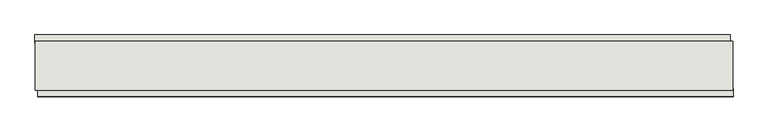
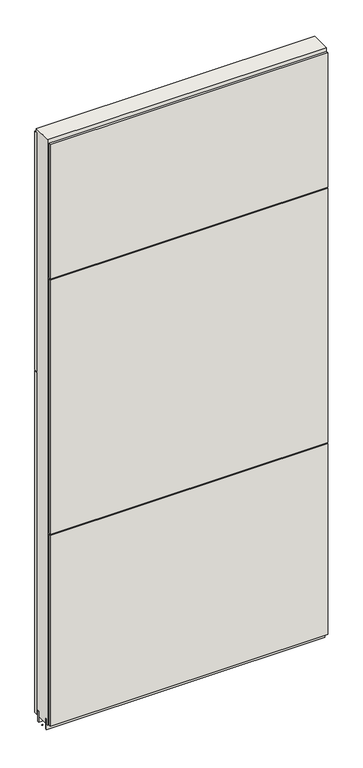
"""IFC4 building model written with IfcOpenShell, lengths in millimetres: wall geometry."""

from ifc_helpers import new_model, si_unit, frame, origin, place, context, project, spatial, polyline, outline, extrude, source, transform, mapped, element, save


def wall_ca330792(model_context):
    return source(origin(), model_context, "Body", "SweptSolid", [
        extrude(outline(polyline([(40511.7275108, -53666.1245954), (40509.1875108, -53666.1245954), (40509.1875108, -53663.5845954), (40511.7275108, -53663.5845954), (40511.7275108, -53666.1245954)])), frame((0.0, 0.0, 4419.6), z_axis=(0.0, 0.0, 1.0), x_axis=(1.0, 0.0, 0.0)), (0.0, 0.0, 1.0), 2.54),
        extrude(outline(polyline([(40508.7206969, -53614.0545954), (41656.6143879, -53614.0545954), (41656.6143879, -53626.7545954), (40508.7206969, -53626.7545954), (40508.7206969, -53614.0545954)])), frame((0.0, 0.0, 5945.6000722), z_axis=(0.0, 0.0, 1.0), x_axis=(1.0, 0.0, 0.0)), (0.0, 0.0, 1.0), 1044.449905),
        extrude(outline(polyline([(40508.7206969, -53614.0545954), (41656.6143879, -53614.0545954), (41656.6143879, -53626.7545954), (40508.7206969, -53626.7545954), (40508.7206969, -53614.0545954)])), frame((0.0, 0.0, 4445.0), z_axis=(0.0, 0.0, 1.0), x_axis=(1.0, 0.0, 0.0)), (0.0, 0.0, 1.0), 1496.600004),
        extrude(outline(polyline([(41661.5443247, -53715.6545954), (40513.6506337, -53715.6545954), (40513.6506337, -53702.9545954), (41661.5443247, -53702.9545954), (41661.5443247, -53715.6545954)])), frame((0.0, 0.0, 6402.8000722), z_axis=(0.0, 0.0, 1.0), x_axis=(1.0, 0.0, 0.0)), (0.0, 0.0, 1.0), 587.2498034),
        extrude(outline(polyline([(41661.5443247, -53715.6545954), (40513.6506337, -53715.6545954), (40513.6506337, -53702.9545954), (41661.5443247, -53702.9545954), (41661.5443247, -53715.6545954)])), frame((0.0, 0.0, 5285.2000722), z_axis=(0.0, 0.0, 1.0), x_axis=(1.0, 0.0, 0.0)), (0.0, 0.0, 1.0), 1113.5999572),
        extrude(outline(polyline([(41661.5443247, -53715.6545954), (40513.6506337, -53715.6545954), (40513.6506337, -53702.9545954), (41661.5443247, -53702.9545954), (41661.5443247, -53715.6545954)])), frame((0.0, 0.0, 4445.0), z_axis=(0.0, 0.0, 1.0), x_axis=(1.0, 0.0, 0.0)), (0.0, 0.0, 1.0), 836.200004),
        extrude(outline(polyline([(41661.0787554, -53639.7708508), (40509.1893904, -53639.7708508), (40509.1893904, -53634.6920954), (41661.0787554, -53634.6920954), (41661.0787554, -53639.7708508)])), frame((0.0, 0.0, 4418.6602), z_axis=(0.0, 0.0, 1.0), x_axis=(1.0, 0.0, 0.0)), (0.0, 0.0, 1.0), 47.625),
        extrude(outline(polyline([(41661.0787554, -53639.7708508), (40509.1893904, -53639.7708508), (40509.1893904, -53634.6920954), (41661.0787554, -53634.6920954), (41661.0787554, -53639.7708508)])), frame((0.0, 0.0, 4418.6602), z_axis=(0.0, 0.0, 1.0), x_axis=(1.0, 0.0, 0.0)), (0.0, 0.0, 1.0), 47.625),
        extrude(outline(polyline([(40509.1893904, -53689.93834), (41661.0787554, -53689.93834), (41661.0787554, -53695.0170954), (40509.1893904, -53695.0170954), (40509.1893904, -53689.93834)])), frame((0.0, 0.0, 4418.6602), z_axis=(0.0, 0.0, 1.0), x_axis=(1.0, 0.0, 0.0)), (0.0, 0.0, 1.0), 47.625),
        extrude(outline(polyline([(40509.1893904, -53689.93834), (41661.0787554, -53689.93834), (41661.0787554, -53695.0170954), (40509.1893904, -53695.0170954), (40509.1893904, -53689.93834)])), frame((0.0, 0.0, 4418.6602), z_axis=(0.0, 0.0, 1.0), x_axis=(1.0, 0.0, 0.0)), (0.0, 0.0, 1.0), 47.625),
        extrude(outline(polyline([(41661.0787554, -53624.2245014), (41661.0787554, -53705.5032822), (40509.1893904, -53705.4784664), (40509.1893904, -53624.199711), (41661.0787554, -53624.2245014)])), frame((0.0, 0.0, 4445.0), z_axis=(0.0, 0.0, 1.0), x_axis=(1.0, 0.0, 0.0)), (0.0, 0.0, 1.0), 2562.4536762),
    ])


if __name__ == "__main__":
    model = new_model("IFC4")
    model_context = context("Model", 3, world=origin())
    ifc_project = project(units=[si_unit("LENGTHUNIT", "METRE", prefix="MILLI")], contexts=[model_context])
    site = spatial("IfcSite", under=ifc_project)
    building = spatial("IfcBuilding", under=site)
    placement = place(None, origin())
    wall_shape = wall_ca330792(model_context)
    element("IfcWall", 1, at=placement, inside=building, context=model_context, shape_type="MappedRepresentation", body=[
        mapped(wall_shape, transform((0.0, 0.0, 0.0), x_axis=(1.0, 0.0, 0.0), y_axis=(0.0, 1.0, 0.0), z_axis=(0.0, 0.0, 1.0))),
    ])
    save(model, "model.ifc")
